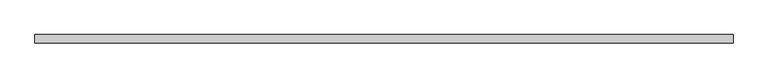
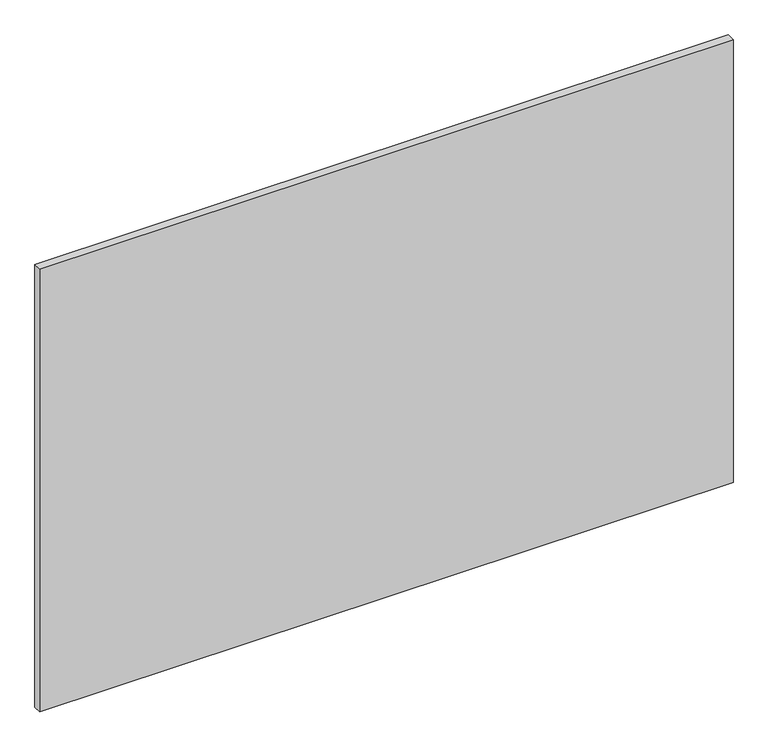
"""IFC4 building model written with IfcOpenShell, lengths in millimetres: plate geometry."""

from ifc_helpers import new_model, si_unit, origin, origin_with_axes, place, context, project, spatial, polyline, outline, extrude, source, transform, mapped, element, save


def plate_720655ad(model_context):
    return source(origin(), model_context, "Body", "SweptSolid", [
        extrude(outline(polyline([(616.65, 7.25), (616.65, -7.25), (-616.65, -7.25), (-616.65, 7.25), (616.65, 7.25)])), origin_with_axes(), (0.0, 0.0, 1.0), 833.3),
    ])


if __name__ == "__main__":
    model = new_model("IFC4")
    model_context = context("Model", 3, world=origin())
    ifc_project = project(units=[si_unit("LENGTHUNIT", "METRE", prefix="MILLI")], contexts=[model_context])
    site = spatial("IfcSite", under=ifc_project)
    building = spatial("IfcBuilding", under=site)
    placement = place(None, origin())
    plate_shape = plate_720655ad(model_context)
    element("IfcPlate", 1, at=placement, inside=building, context=model_context, shape_type="MappedRepresentation", body=[
        mapped(plate_shape, transform((0.0, 0.0, 0.0), x_axis=(1.0, 0.0, 0.0), y_axis=(0.0, 1.0, 0.0), z_axis=(0.0, 0.0, 1.0))),
    ])
    save(model, "model.ifc")
